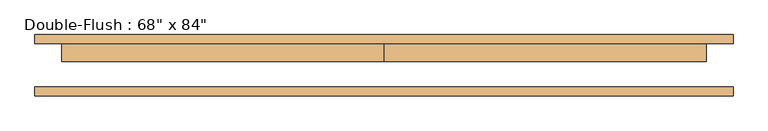
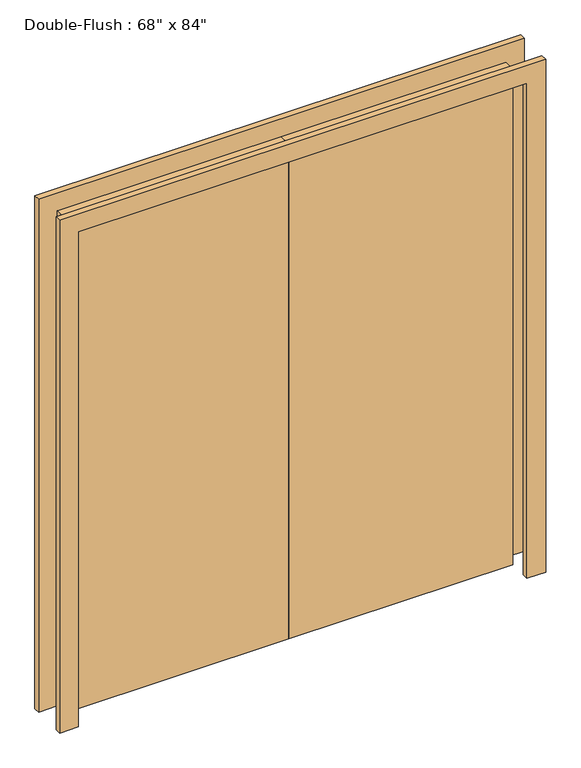
"""IFC4 building model written with IfcOpenShell, lengths in millimetres: door geometry."""

from ifc_helpers import new_model, si_unit, frame, origin, origin_with_axes, place, context, project, spatial, polyline, outline, extrude, source, transform, mapped, element, save


def door_1edc655c(model_context):
    return source(origin(), model_context, "Body", "SweptSolid", [
        extrude(outline(polyline([(0.0, 61.9125), (914.4, 61.9125), (914.4, 11.1125), (0.0, 11.1125), (0.0, 61.9125)])), origin_with_axes(), (0.0, 0.0, 1.0), 2133.6),
        extrude(outline(polyline([(-914.4, 61.9125), (0.0, 61.9125), (0.0, 11.1125), (-914.4, 11.1125), (-914.4, 61.9125)])), origin_with_axes(), (0.0, 0.0, 1.0), 2133.6),
        extrude(outline(polyline([(2133.6, -914.4), (2133.6, 914.4), (0.0, 914.4), (0.0, 990.6), (2209.8, 990.6), (2209.8, -990.6), (0.0, -990.6), (0.0, -914.4), (2133.6, -914.4)])), frame((0.0, -87.3125, 0.0), z_axis=(0.0, 1.0, 0.0), x_axis=(0.0, 0.0, 1.0)), (0.0, 0.0, 1.0), 25.4),
        extrude(outline(polyline([(2133.6, -914.4), (2133.6, 914.4), (0.0, 914.4), (0.0, 990.6), (2209.8, 990.6), (2209.8, -990.6), (0.0, -990.6), (0.0, -914.4), (2133.6, -914.4)])), frame((0.0, 61.9125, 0.0), z_axis=(0.0, 1.0, 0.0), x_axis=(0.0, 0.0, 1.0)), (0.0, 0.0, 1.0), 25.4),
    ])


if __name__ == "__main__":
    model = new_model("IFC4")
    model_context = context("Model", 3, world=origin())
    ifc_project = project(units=[si_unit("LENGTHUNIT", "METRE", prefix="MILLI")], contexts=[model_context])
    site = spatial("IfcSite", under=ifc_project)
    building = spatial("IfcBuilding", under=site)
    placement = place(None, origin())
    door_shape = door_1edc655c(model_context)
    element("IfcDoor", 1, ObjectType="Double-Flush : 68\" x 84\"", at=placement, inside=building, context=model_context, shape_type="MappedRepresentation", body=[
        mapped(door_shape, transform((0.0, 0.0, 0.0), x_axis=(1.0, 0.0, 0.0), y_axis=(0.0, 1.0, 0.0), z_axis=(0.0, 0.0, 1.0))),
    ])
    save(model, "model.ifc")
